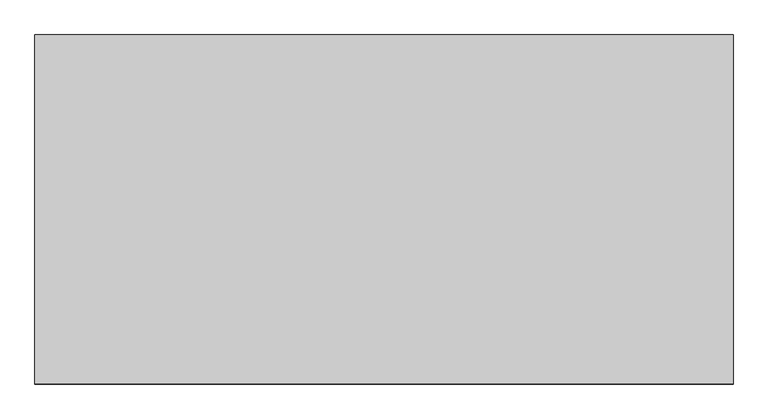
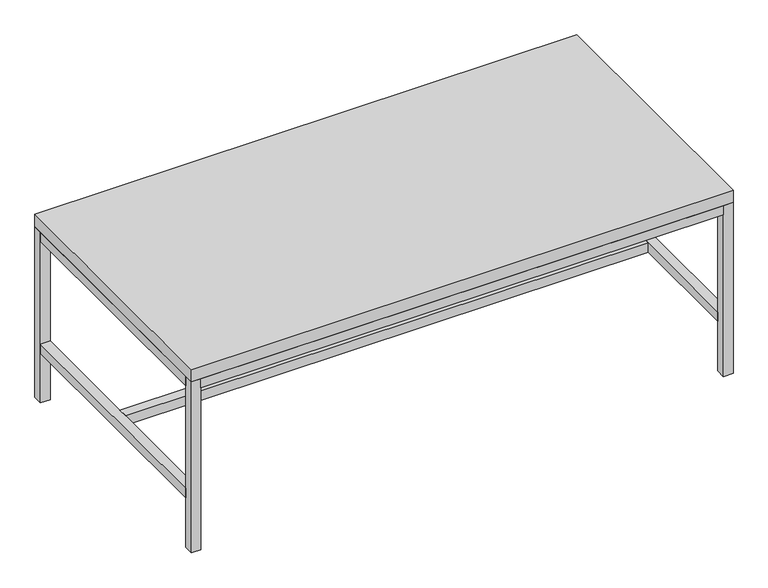
"""IFC4 building model written with IfcOpenShell, lengths in millimetres: furniture geometry."""

from ifc_helpers import new_model, si_unit, frame, origin, origin_with_axes, place, context, project, spatial, polyline, outline, extrude, source, transform, mapped, element, save


def furniture_c8658755(model_context):
    return source(origin(), model_context, "Body", "SweptSolid", [
        extrude(outline(polyline([(6946.9, 597.9973297), (6946.9, -468.8026703), (4813.3, -468.8026703), (4813.3, 597.9973297), (6946.9, 597.9973297)])), frame((0.0, 0.0, 711.2), z_axis=(0.0, 0.0, 1.0), x_axis=(1.0, 0.0, 0.0)), (0.0, 0.0, 1.0), 50.8),
        extrude(outline(polyline([(6908.8, 83.6473297), (6908.8, 45.5473297), (4851.4, 45.5473297), (4851.4, 83.6473297), (6908.8, 83.6473297)])), frame((0.0, 0.0, 206.375), z_axis=(0.0, 0.0, 1.0), x_axis=(1.0, 0.0, 0.0)), (0.0, 0.0, 1.0), 38.1),
        extrude(outline(polyline([(6908.8, 559.8973297), (4851.4, 559.8973297), (4851.4, 597.9973297), (6908.8, 597.9973297), (6908.8, 559.8973297)])), frame((0.0, 0.0, 673.1), z_axis=(0.0, 0.0, 1.0), x_axis=(1.0, 0.0, 0.0)), (0.0, 0.0, 1.0), 38.1),
        extrude(outline(polyline([(4851.4, -468.8026703), (4851.4, -430.7027578), (6908.8, -430.7027578), (6908.8, -468.8026703), (4851.4, -468.8026703)])), frame((0.0, 0.0, 673.1), z_axis=(0.0, 0.0, 1.0), x_axis=(1.0, 0.0, 0.0)), (0.0, 0.0, 1.0), 38.1),
        extrude(outline(polyline([(6908.8, -430.7027578), (6908.8, 559.8973297), (6946.9, 559.8973297), (6946.9, -430.7027578), (6908.8, -430.7027578)])), frame((0.0, 0.0, 673.1), z_axis=(0.0, 0.0, 1.0), x_axis=(1.0, 0.0, 0.0)), (0.0, 0.0, 1.0), 38.1),
        extrude(outline(polyline([(6908.8, -430.7027578), (6908.8, 559.8973297), (6946.9, 559.8973297), (6946.9, -430.7027578), (6908.8, -430.7027578)])), frame((0.0, 0.0, 206.375), z_axis=(0.0, 0.0, 1.0), x_axis=(1.0, 0.0, 0.0)), (0.0, 0.0, 1.0), 38.1),
        extrude(outline(polyline([(4813.3, -430.7027578), (4813.3, 559.8973297), (4851.4, 559.8973297), (4851.4, -430.7027578), (4813.3, -430.7027578)])), frame((0.0, 0.0, 206.375), z_axis=(0.0, 0.0, 1.0), x_axis=(1.0, 0.0, 0.0)), (0.0, 0.0, 1.0), 38.1),
        extrude(outline(polyline([(4813.3, -430.7027578), (4813.3, 559.8973297), (4851.4, 559.8973297), (4851.4, -430.7027578), (4813.3, -430.7027578)])), frame((0.0, 0.0, 673.1), z_axis=(0.0, 0.0, 1.0), x_axis=(1.0, 0.0, 0.0)), (0.0, 0.0, 1.0), 38.1),
        extrude(outline(polyline([(6946.9, 597.9973297), (6946.9, 559.8973297), (6908.8, 559.8973297), (6908.8, 597.9973297), (6946.9, 597.9973297)])), origin_with_axes(), (0.0, 0.0, 1.0), 711.2),
        extrude(outline(polyline([(6946.9, -430.7027578), (6946.9, -468.8026703), (6908.8, -468.8026703), (6908.8, -430.7027578), (6946.9, -430.7027578)])), origin_with_axes(), (0.0, 0.0, 1.0), 711.2),
        extrude(outline(polyline([(4851.4, -430.7027578), (4851.4, -468.8026703), (4813.3, -468.8026703), (4813.3, -430.7027578), (4851.4, -430.7027578)])), origin_with_axes(), (0.0, 0.0, 1.0), 711.2),
        extrude(outline(polyline([(4851.4, 597.9973297), (4851.4, 559.8973297), (4813.3, 559.8973297), (4813.3, 597.9973297), (4851.4, 597.9973297)])), origin_with_axes(), (0.0, 0.0, 1.0), 711.2),
    ])


if __name__ == "__main__":
    model = new_model("IFC4")
    model_context = context("Model", 3, world=origin())
    ifc_project = project(units=[si_unit("LENGTHUNIT", "METRE", prefix="MILLI")], contexts=[model_context])
    site = spatial("IfcSite", under=ifc_project)
    building = spatial("IfcBuilding", under=site)
    placement = place(None, origin())
    furniture_shape = furniture_c8658755(model_context)
    element("IfcFurniture", 1, at=placement, inside=building, context=model_context, shape_type="MappedRepresentation", body=[
        mapped(furniture_shape, transform((0.0, 0.0, 0.0), x_axis=(1.0, 0.0, 0.0), y_axis=(0.0, 1.0, 0.0), z_axis=(0.0, 0.0, 1.0))),
    ])
    save(model, "model.ifc")
